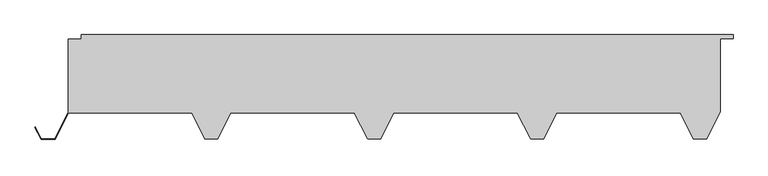
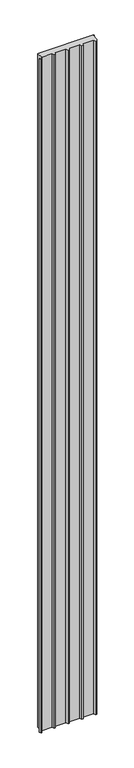
"""IFC4 building model written with IfcOpenShell, lengths in millimetres: plate geometry."""

from ifc_helpers import new_model, si_unit, origin, origin_with_axes, place, context, project, spatial, polyline, outline, extrude, source, transform, mapped, element, save


def plate_a30c1066(model_context):
    return source(origin(), model_context, "Body", "SweptSolid", [
        extrude(outline(polyline([(479.2444272, -160.0), (459.2444272, -160.0), (439.2444272, -120.0), (249.2444272, -120.0), (229.2444272, -160.0), (209.2444272, -160.0), (189.2444272, -120.0), (-0.7555728, -120.0), (-20.7555728, -160.0), (-40.7555728, -160.0), (-60.7555728, -120.0), (-250.7555728, -120.0), (-270.7555728, -160.0), (-290.7555728, -160.0), (-310.7555728, -120.0), (-499.5055728, -120.0), (-520.0055728, -161.0), (-541.5055728, -161.0), (-550.9818107, -142.0475242), (-550.266269, -141.6897533), (-541.0111456, -160.2), (-520.5, -160.2), (-500.0, -119.2), (-500.0, -6.496736), (-480.0, -6.496736), (-480.0, 0.0), (520.0, 0.0), (520.0, -6.0), (500.0, -6.0), (500.0, -118.4888544), (479.2444272, -160.0)])), origin_with_axes(), (0.0, 0.0, 1.0), 12918.2129182),
    ])


if __name__ == "__main__":
    model = new_model("IFC4")
    model_context = context("Model", 3, world=origin())
    ifc_project = project(units=[si_unit("LENGTHUNIT", "METRE", prefix="MILLI")], contexts=[model_context])
    site = spatial("IfcSite", under=ifc_project)
    building = spatial("IfcBuilding", under=site)
    placement = place(None, origin())
    plate_shape = plate_a30c1066(model_context)
    element("IfcPlate", 1, at=placement, inside=building, context=model_context, shape_type="MappedRepresentation", body=[
        mapped(plate_shape, transform((0.0, 0.0, 0.0), x_axis=(1.0, 0.0, 0.0), y_axis=(0.0, 1.0, 0.0), z_axis=(0.0, 0.0, 1.0))),
    ])
    save(model, "model.ifc")
